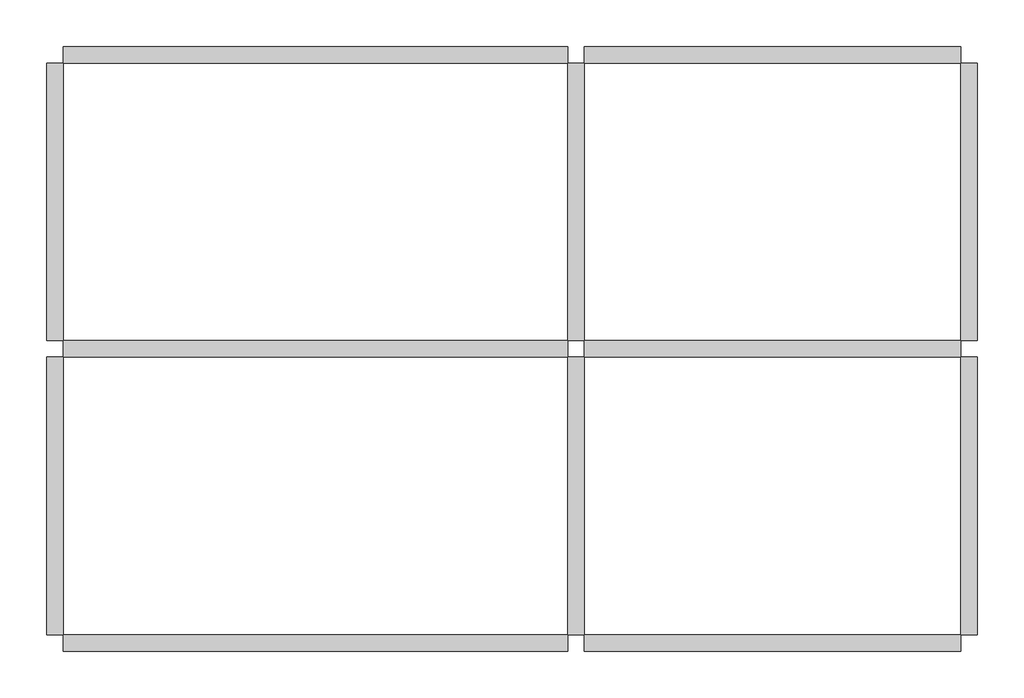
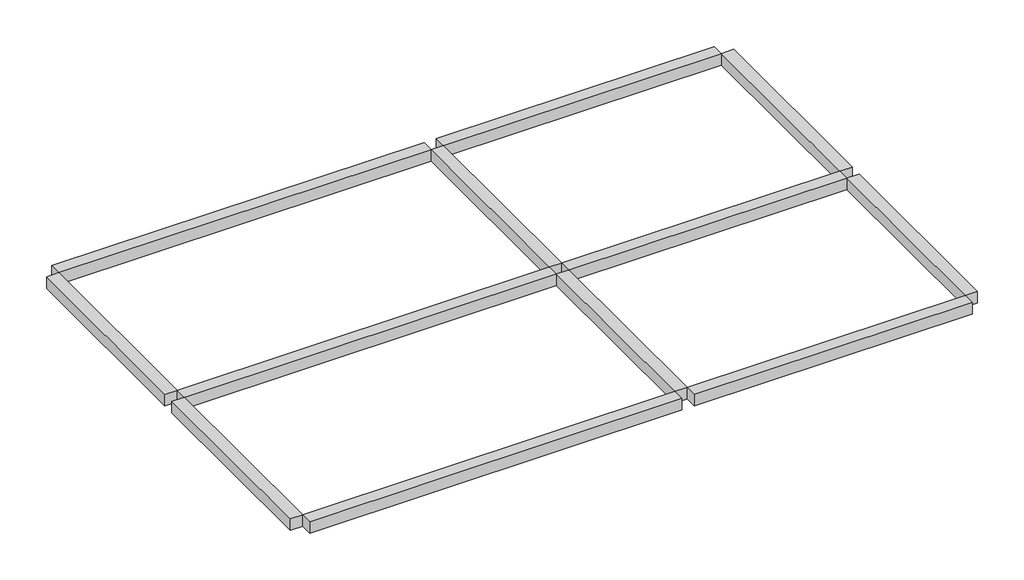
# One storey: 12 beams.
"""IFC4 building model written with IfcOpenShell, lengths in millimetres."""

from ifc_helpers import new_model, si_unit, frame, origin, place, context, project, spatial, polyline, outline, extrude, element, save

model = new_model("IFC4")

# Units and contexts
model_context = context("Model", 3, world=origin())
ifc_project = project(units=[si_unit("LENGTHUNIT", "METRE", prefix="MILLI")], contexts=[model_context])

# Site, building, storey
site = spatial("IfcSite", under=ifc_project)
building = spatial("IfcBuilding", under=site)
storey = spatial("IfcBuildingStorey", under=building, Elevation=-970.0)

# Beams
placement = place(None, origin())
element("IfcBeam", 1, ObjectType="Concrete - Rectangular Beam : 250 x 250 mm", at=placement, inside=storey, context=model_context, shape_type="SweptSolid", body=[
    extrude(outline(polyline([(3426.1680841, 11934.6977103), (3426.1680841, 11684.6977103), (-4216.2748084, 11684.6977103), (-4216.2748084, 11934.6977103), (3426.1680841, 11934.6977103)])), frame((0.0, 0.0, -420.0), z_axis=(0.0, 0.0, 1.0), x_axis=(1.0, 0.0, 0.0)), (0.0, 0.0, 1.0), 250.0),
])
element("IfcBeam", 2, ObjectType="Concrete - Rectangular Beam : 250 x 250 mm", at=placement, inside=storey, context=model_context, shape_type="SweptSolid", body=[
    extrude(outline(polyline([(-4216.2748084, 7474.6977103), (-4466.2748084, 7474.6977103), (-4466.2748084, 11684.6977103), (-4216.2748084, 11684.6977103), (-4216.2748084, 7474.6977103)])), frame((0.0, 0.0, -420.0), z_axis=(0.0, 0.0, 1.0), x_axis=(1.0, 0.0, 0.0)), (0.0, 0.0, 1.0), 250.0),
])
element("IfcBeam", 3, ObjectType="Concrete - Rectangular Beam : 250 x 250 mm", at=placement, inside=storey, context=model_context, shape_type="SweptSolid", body=[
    extrude(outline(polyline([(-4216.2748084, 3014.6977103), (-4466.2748084, 3014.6977103), (-4466.2748084, 7224.6977103), (-4216.2748084, 7224.6977103), (-4216.2748084, 3014.6977103)])), frame((0.0, 0.0, -420.0), z_axis=(0.0, 0.0, 1.0), x_axis=(1.0, 0.0, 0.0)), (0.0, 0.0, 1.0), 250.0),
])
element("IfcBeam", 4, ObjectType="Concrete - Rectangular Beam : 250 x 250 mm", at=placement, inside=storey, context=model_context, shape_type="SweptSolid", body=[
    extrude(outline(polyline([(3426.1680841, 3014.6977103), (3426.1680841, 2764.6977103), (-4216.2748084, 2764.6977103), (-4216.2748084, 3014.6977103), (3426.1680841, 3014.6977103)])), frame((0.0, 0.0, -420.0), z_axis=(0.0, 0.0, 1.0), x_axis=(1.0, 0.0, 0.0)), (0.0, 0.0, 1.0), 250.0),
])
element("IfcBeam", 5, ObjectType="Concrete - Rectangular Beam : 250 x 250 mm", at=placement, inside=storey, context=model_context, shape_type="SweptSolid", body=[
    extrude(outline(polyline([(9386.1680841, 3014.6977103), (9386.1680841, 2764.6977103), (3676.1680841, 2764.6977103), (3676.1680841, 3014.6977103), (9386.1680841, 3014.6977103)])), frame((0.0, 0.0, -420.0), z_axis=(0.0, 0.0, 1.0), x_axis=(1.0, 0.0, 0.0)), (0.0, 0.0, 1.0), 250.0),
])
element("IfcBeam", 6, ObjectType="Concrete - Rectangular Beam : 250 x 250 mm", at=placement, inside=storey, context=model_context, shape_type="SweptSolid", body=[
    extrude(outline(polyline([(9386.1680841, 7224.6977103), (9636.1680841, 7224.6977103), (9636.1680841, 3014.6977103), (9386.1680841, 3014.6977103), (9386.1680841, 7224.6977103)])), frame((0.0, 0.0, -420.0), z_axis=(0.0, 0.0, 1.0), x_axis=(1.0, 0.0, 0.0)), (0.0, 0.0, 1.0), 250.0),
])
element("IfcBeam", 7, ObjectType="Concrete - Rectangular Beam : 250 x 250 mm", at=placement, inside=storey, context=model_context, shape_type="SweptSolid", body=[
    extrude(outline(polyline([(9386.1680841, 11684.6977103), (9636.1680841, 11684.6977103), (9636.1680841, 7474.6977103), (9386.1680841, 7474.6977103), (9386.1680841, 11684.6977103)])), frame((0.0, 0.0, -420.0), z_axis=(0.0, 0.0, 1.0), x_axis=(1.0, 0.0, 0.0)), (0.0, 0.0, 1.0), 250.0),
])
element("IfcBeam", 8, ObjectType="Concrete - Rectangular Beam : 250 x 250 mm", at=placement, inside=storey, context=model_context, shape_type="SweptSolid", body=[
    extrude(outline(polyline([(3676.1680841, 11684.6977103), (3676.1680841, 11934.6977103), (9386.1680841, 11934.6977103), (9386.1680841, 11684.6977103), (3676.1680841, 11684.6977103)])), frame((0.0, 0.0, -420.0), z_axis=(0.0, 0.0, 1.0), x_axis=(1.0, 0.0, 0.0)), (0.0, 0.0, 1.0), 250.0),
])
element("IfcBeam", 9, ObjectType="Concrete - Rectangular Beam : 250 x 250 mm", at=placement, inside=storey, context=model_context, shape_type="SweptSolid", body=[
    extrude(outline(polyline([(3426.1680841, 11684.6977103), (3676.1680841, 11684.6977103), (3676.1680841, 7474.6977103), (3426.1680841, 7474.6977103), (3426.1680841, 11684.6977103)])), frame((0.0, 0.0, -420.0), z_axis=(0.0, 0.0, 1.0), x_axis=(1.0, 0.0, 0.0)), (0.0, 0.0, 1.0), 250.0),
])
element("IfcBeam", 10, ObjectType="Concrete - Rectangular Beam : 250 x 250 mm", at=placement, inside=storey, context=model_context, shape_type="SweptSolid", body=[
    extrude(outline(polyline([(3676.1680841, 3014.6977103), (3426.1680841, 3014.6977103), (3426.1680841, 7224.6977103), (3676.1680841, 7224.6977103), (3676.1680841, 3014.6977103)])), frame((0.0, 0.0, -420.0), z_axis=(0.0, 0.0, 1.0), x_axis=(1.0, 0.0, 0.0)), (0.0, 0.0, 1.0), 250.0),
])
element("IfcBeam", 11, ObjectType="Concrete - Rectangular Beam : 250 x 250 mm", at=placement, inside=storey, context=model_context, shape_type="SweptSolid", body=[
    extrude(outline(polyline([(9386.1680841, 7474.6977103), (9386.1680841, 7224.6977103), (3676.1680841, 7224.6977103), (3676.1680841, 7474.6977103), (9386.1680841, 7474.6977103)])), frame((0.0, 0.0, -420.0), z_axis=(0.0, 0.0, 1.0), x_axis=(1.0, 0.0, 0.0)), (0.0, 0.0, 1.0), 250.0),
])
element("IfcBeam", 12, ObjectType="Concrete - Rectangular Beam : 250 x 250 mm", at=placement, inside=storey, context=model_context, shape_type="SweptSolid", body=[
    extrude(outline(polyline([(-4216.2748084, 7224.6977103), (-4216.2748084, 7474.6977103), (3426.1680841, 7474.6977103), (3426.1680841, 7224.6977103), (-4216.2748084, 7224.6977103)])), frame((0.0, 0.0, -420.0), z_axis=(0.0, 0.0, 1.0), x_axis=(1.0, 0.0, 0.0)), (0.0, 0.0, 1.0), 250.0),
])

save(model, "model.ifc")
